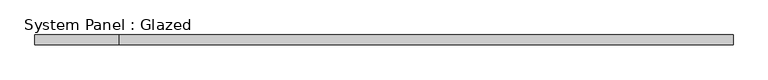
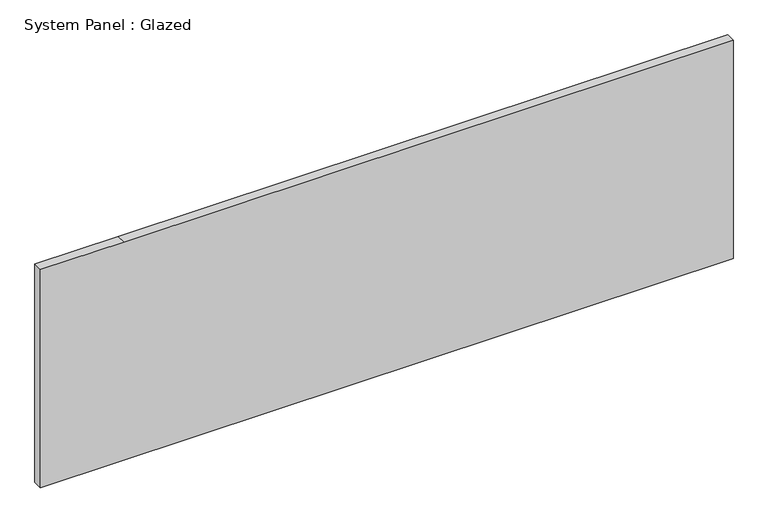
"""IFC4 building model written with IfcOpenShell, lengths in millimetres: plate geometry, System Panel : Glazed."""

import ifcopenshell
import ifcopenshell.guid

model = None  # the IFC model being written
_history = None  # IfcOwnerHistory: only IFC2X3 demands one
_inside = {}  # id of a spatial element -> (the spatial element, [elements in it])
_under = {}  # id of a project, library or spatial element -> (it, [spatial elements below it])
_declared = {}  # id of a project -> (the project, [libraries it declares])
_typed = {}  # id of a type object -> (the type object, [elements of that type])
_made_of = {}  # id of a material, layer set ... -> (it, [elements and type objects made of it])


def new_model(schema):
    """Start an empty IFC model of exactly this schema.

    Asked for "IFC4X3", IfcOpenShell would pick the latest addendum, in which some entities
    have other attributes; the version numbers below select the first issue.
    IFC2X3 requires an IfcOwnerHistory on every rooted entity: one is made here for all.
    """
    global model, _history
    if schema == "IFC4X3":
        model = ifcopenshell.file(schema_version=(4, 3, 0, 0))
    else:
        model = ifcopenshell.file(schema=schema)
    _inside.clear()
    _under.clear()
    _declared.clear()
    _typed.clear()
    _made_of.clear()
    _history = None
    if model.schema == "IFC2X3":
        org = make("IfcOrganization", Name="unknown")
        user = make(
            "IfcPersonAndOrganization",
            ThePerson=make("IfcPerson", FamilyName="unknown"),
            TheOrganization=org,
        )
        app = make(
            "IfcApplication",
            ApplicationDeveloper=org,
            Version="unknown",
            ApplicationFullName="unknown",
            ApplicationIdentifier="unknown",
        )
        _history = make(
            "IfcOwnerHistory",
            OwningUser=user,
            OwningApplication=app,
            ChangeAction="ADDED",
            CreationDate=0,
        )
    return model


def make(cls, **values):
    """One entity of the class cls with the attributes given. An attribute that is None is left unset."""
    return model.create_entity(
        cls, **{name: value for name, value in values.items() if value is not None}
    )


def rooted(cls, **values):
    """An entity with a GlobalId (a new one), such as an element, a storey or a relation."""
    return make(cls, GlobalId=ifcopenshell.guid.new(), OwnerHistory=_history, **values)


def si_unit(unit_type, name, prefix=None):
    """IfcSIUnit, for example si_unit("LENGTHUNIT", "METRE", prefix="MILLI")."""
    return make("IfcSIUnit", UnitType=unit_type, Prefix=prefix, Name=name)


def assignment(units):
    """IfcUnitAssignment: the units of a project."""
    return None if units is None else make("IfcUnitAssignment", Units=units)


def point(xyz):
    """IfcCartesianPoint."""
    return None if xyz is None else make("IfcCartesianPoint", Coordinates=xyz)


def direction(xyz):
    """IfcDirection."""
    return None if xyz is None else make("IfcDirection", DirectionRatios=xyz)


def frame(location, z_axis=None, x_axis=None):
    """IfcAxis2Placement3D, a coordinate frame: its origin and axes. An axis left out is left unset."""
    return make(
        "IfcAxis2Placement3D",
        Location=point(location),
        Axis=direction(z_axis),
        RefDirection=direction(x_axis),
    )


def origin():
    """The frame at (0, 0, 0) with its axes left unset."""
    return frame((0.0, 0.0, 0.0))


def place(relative_to, where):
    """IfcLocalPlacement: puts the frame where relative to a parent placement (None: the world)."""
    return make(
        "IfcLocalPlacement", PlacementRelTo=relative_to, RelativePlacement=where
    )


def context(
    kind, dimensions, precision=None, world=None, true_north=None, identifier=None
):
    """IfcGeometricRepresentationContext, for example the 3D "Model" context."""
    return make(
        "IfcGeometricRepresentationContext",
        ContextIdentifier=identifier,
        ContextType=kind,
        CoordinateSpaceDimension=dimensions,
        Precision=precision,
        WorldCoordinateSystem=world,
        TrueNorth=true_north,
    )


def project(units=None, contexts=None):
    """IfcProject with its units and contexts."""
    return rooted(
        "IfcProject",
        Name="project",
        RepresentationContexts=contexts,
        UnitsInContext=assignment(units),
    )


def spatial(cls, under=None, at=None, **own):
    """A site, building, storey or space (cls), placed at a placement, below another one or the project."""
    s = rooted(cls, ObjectPlacement=at, **own)
    if under is not None:
        _under.setdefault(under.id(), (under, []))[1].append(s)
    return s


def polyline(points):
    """IfcPolyline through the points."""
    return make("IfcPolyline", Points=[point(p) for p in points])


def outline(outer, holes=None, kind="AREA"):
    """IfcArbitraryClosedProfileDef: a profile drawn as a closed curve; with holes, ...WithVoids."""
    if holes is None:
        return make("IfcArbitraryClosedProfileDef", ProfileType=kind, OuterCurve=outer)
    return make(
        "IfcArbitraryProfileDefWithVoids",
        ProfileType=kind,
        OuterCurve=outer,
        InnerCurves=holes,
    )


def extrude(swept, where, along, depth):
    """IfcExtrudedAreaSolid: the profile swept, set in the frame where, extruded along a direction by depth."""
    return make(
        "IfcExtrudedAreaSolid",
        SweptArea=swept,
        Position=where,
        ExtrudedDirection=direction(along),
        Depth=depth,
    )


def shape(context_of_items, identifier, shape_type, items):
    """IfcShapeRepresentation: the items that make up one representation, for example the "Body"."""
    return make(
        "IfcShapeRepresentation",
        ContextOfItems=context_of_items,
        RepresentationIdentifier=identifier,
        RepresentationType=shape_type,
        Items=items,
    )


def source(mapping_origin, context_of_items, identifier, shape_type, items):
    """IfcRepresentationMap: a shape defined once, which mapped items show again and again."""
    return make(
        "IfcRepresentationMap",
        MappingOrigin=mapping_origin,
        MappedRepresentation=shape(context_of_items, identifier, shape_type, items),
    )


def transform(
    local_origin,
    x_axis=None,
    y_axis=None,
    z_axis=None,
    scale=None,
    scale2=None,
    scale3=None,
    uniform=True,
):
    """IfcCartesianTransformationOperator3D, or its non-uniform kind. x_axis, y_axis, z_axis: its Axis1, 2, 3."""
    if uniform:
        return make(
            "IfcCartesianTransformationOperator3D",
            Axis1=direction(x_axis),
            Axis2=direction(y_axis),
            LocalOrigin=point(local_origin),
            Scale=scale,
            Axis3=direction(z_axis),
        )
    return make(
        "IfcCartesianTransformationOperator3DnonUniform",
        Axis1=direction(x_axis),
        Axis2=direction(y_axis),
        LocalOrigin=point(local_origin),
        Scale=scale,
        Axis3=direction(z_axis),
        Scale2=scale2,
        Scale3=scale3,
    )


def mapped(mapping_source, mapping_target):
    """IfcMappedItem: shows the shape of a source again, moved by a transform."""
    return make(
        "IfcMappedItem", MappingSource=mapping_source, MappingTarget=mapping_target
    )


def made_of(thing, what):
    """Note that an element or type object is made of a material, layer set ...; save() writes the relation."""
    if what is not None:
        _made_of.setdefault(what.id(), (what, []))[1].append(thing)
    return thing


def element(
    cls,
    number,
    at=None,
    inside=None,
    cuts=None,
    type_object=None,
    material=None,
    context=None,
    identifier="Body",
    shape_type=None,
    held_by="IfcProductDefinitionShape",
    body=None,
    shapes=None,
    **own,
):
    """One element of the class cls, such as IfcWall. Its Tag is "e" and its number.

    at: its placement. inside: the storey or other place that contains it. cuts: it is an
    opening in that element (IfcRelVoidsElement). A single representation is given by context,
    identifier, shape_type and body (its items); several are given by shapes. held_by: the class
    of the entity that holds the representations. save() writes the other relations.
    """
    e = rooted(cls, Tag="e%d" % number, ObjectPlacement=at, **own)
    if body is not None:
        shapes = [shape(context, identifier, shape_type, body)]
    if shapes is not None:
        e.Representation = make(held_by, Representations=shapes)
    if inside is not None:
        _inside.setdefault(inside.id(), (inside, []))[1].append(e)
    if cuts is not None:
        rooted(
            "IfcRelVoidsElement", RelatingBuildingElement=cuts, RelatedOpeningElement=e
        )
    if type_object is not None:
        _typed.setdefault(type_object.id(), (type_object, []))[1].append(e)
    return made_of(e, material)


def aggregate(whole, parts):
    """IfcRelAggregates: a whole, such as a stair, and the parts it consists of."""
    return rooted("IfcRelAggregates", RelatingObject=whole, RelatedObjects=parts)


def save(model, path):
    """Write the relations noted so far, then the file.

    IfcRelAggregates (storeys below a building ...), IfcRelContainedInSpatialStructure (elements
    in a storey), IfcRelDefinesByType, IfcRelAssociatesMaterial and IfcRelDeclares: one each for
    every whole, place, type object, material and project.
    """
    for whole, parts in _under.values():
        aggregate(whole, parts)
    for where, things in _inside.values():
        rooted(
            "IfcRelContainedInSpatialStructure",
            RelatedElements=things,
            RelatingStructure=where,
        )
    for kind, things in _typed.values():
        rooted("IfcRelDefinesByType", RelatedObjects=things, RelatingType=kind)
    for what, things in _made_of.values():
        rooted("IfcRelAssociatesMaterial", RelatedObjects=things, RelatingMaterial=what)
    for by, libraries in _declared.values():
        rooted("IfcRelDeclares", RelatingContext=by, RelatedDefinitions=libraries)
    model.write(path)


def system_panel_glazed_0e8072cb(model_context):
    return source(origin(), model_context, "Body", "SweptSolid", [
        extrude(outline(polyline([(0.0, -914.4), (0.0, 914.4), (609.6, 914.4), (609.6, -693.7614877), (609.6, -914.4), (0.0, -914.4)])), frame((0.0, 19.05, 0.0), z_axis=(0.0, 1.0, 0.0), x_axis=(0.0, 0.0, 1.0)), (0.0, 0.0, 1.0), 25.4),
    ])


if __name__ == "__main__":
    model = new_model("IFC4")
    model_context = context("Model", 3, world=origin())
    ifc_project = project(units=[si_unit("LENGTHUNIT", "METRE", prefix="MILLI")], contexts=[model_context])
    site = spatial("IfcSite", under=ifc_project)
    building = spatial("IfcBuilding", under=site)
    placement = place(None, origin())
    system_panel_glazed_shape = system_panel_glazed_0e8072cb(model_context)
    element("IfcPlate", 1, ObjectType="System Panel : Glazed", at=placement, inside=building, context=model_context, shape_type="MappedRepresentation", body=[
        mapped(system_panel_glazed_shape, transform((0.0, 0.0, 0.0), x_axis=(1.0, 0.0, 0.0), y_axis=(0.0, 1.0, 0.0), z_axis=(0.0, 0.0, 1.0))),
    ])
    save(model, "model.ifc")
